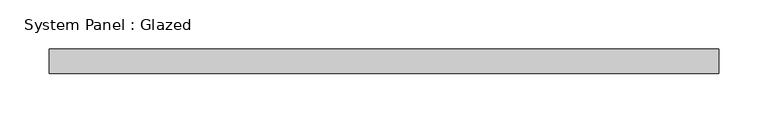
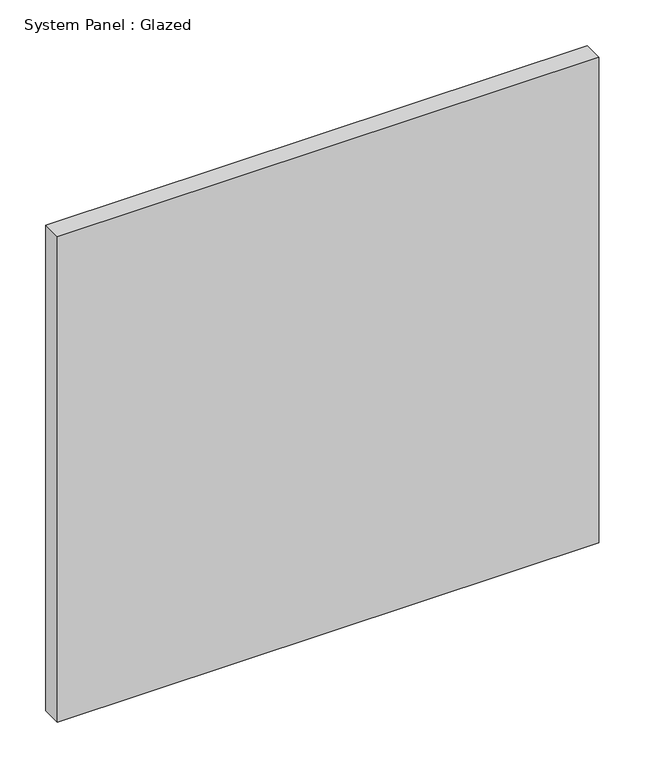
"""IFC4 building model written with IfcOpenShell, lengths in millimetres: plate geometry, System Panel : Glazed."""

from ifc_helpers import new_model, si_unit, origin, origin_with_axes, place, context, project, spatial, polyline, outline, extrude, source, transform, mapped, element, save


def system_panel_glazed_4de667f2(model_context):
    return source(origin(), model_context, "Body", "SweptSolid", [
        extrude(outline(polyline([(340.0, 24.5), (-340.0, 24.5), (-340.0, 49.5), (340.0, 49.5), (340.0, 24.5)])), origin_with_axes(), (0.0, 0.0, 1.0), 645.0),
    ])


if __name__ == "__main__":
    model = new_model("IFC4")
    model_context = context("Model", 3, world=origin())
    ifc_project = project(units=[si_unit("LENGTHUNIT", "METRE", prefix="MILLI")], contexts=[model_context])
    site = spatial("IfcSite", under=ifc_project)
    building = spatial("IfcBuilding", under=site)
    placement = place(None, origin())
    system_panel_glazed_shape = system_panel_glazed_4de667f2(model_context)
    element("IfcPlate", 1, ObjectType="System Panel : Glazed", at=placement, inside=building, context=model_context, shape_type="MappedRepresentation", body=[
        mapped(system_panel_glazed_shape, transform((0.0, 0.0, 0.0), x_axis=(1.0, 0.0, 0.0), y_axis=(0.0, 1.0, 0.0), z_axis=(0.0, 0.0, 1.0))),
    ])
    save(model, "model.ifc")
